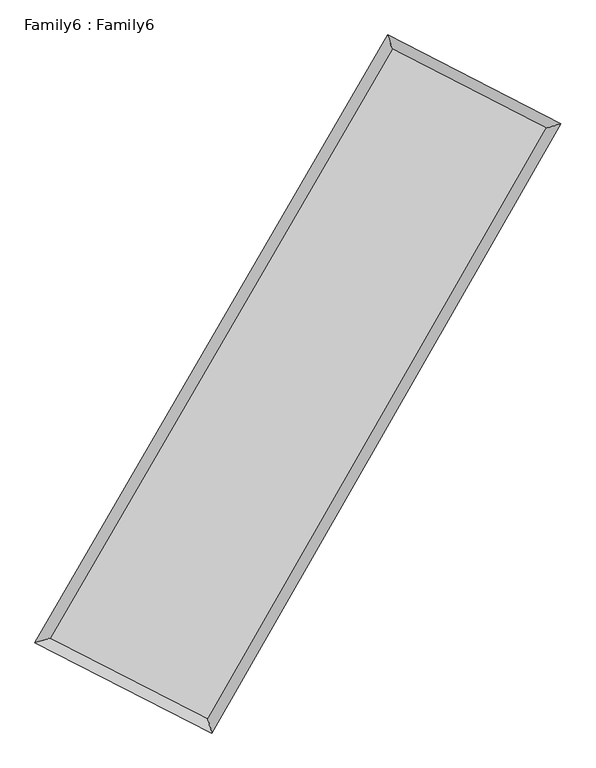
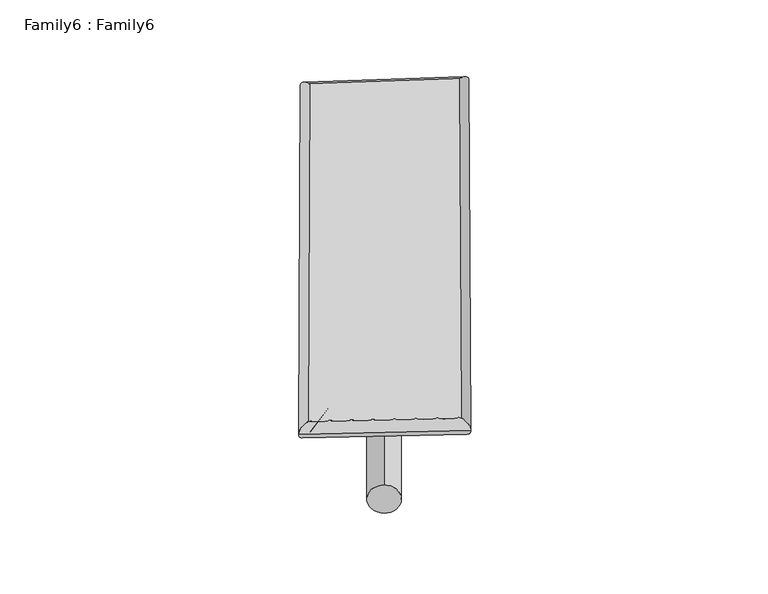
"""IFC4 building model written with IfcOpenShell, lengths in millimetres: plate geometry, Family6 : Family6."""

import ifcopenshell
import ifcopenshell.guid

model = None  # the IFC model being written
_history = None  # IfcOwnerHistory: only IFC2X3 demands one
_inside = {}  # id of a spatial element -> (the spatial element, [elements in it])
_under = {}  # id of a project, library or spatial element -> (it, [spatial elements below it])
_declared = {}  # id of a project -> (the project, [libraries it declares])
_typed = {}  # id of a type object -> (the type object, [elements of that type])
_made_of = {}  # id of a material, layer set ... -> (it, [elements and type objects made of it])


def new_model(schema):
    """Start an empty IFC model of exactly this schema.

    Asked for "IFC4X3", IfcOpenShell would pick the latest addendum, in which some entities
    have other attributes; the version numbers below select the first issue.
    IFC2X3 requires an IfcOwnerHistory on every rooted entity: one is made here for all.
    """
    global model, _history
    if schema == "IFC4X3":
        model = ifcopenshell.file(schema_version=(4, 3, 0, 0))
    else:
        model = ifcopenshell.file(schema=schema)
    _inside.clear()
    _under.clear()
    _declared.clear()
    _typed.clear()
    _made_of.clear()
    _history = None
    if model.schema == "IFC2X3":
        org = make("IfcOrganization", Name="unknown")
        user = make(
            "IfcPersonAndOrganization",
            ThePerson=make("IfcPerson", FamilyName="unknown"),
            TheOrganization=org,
        )
        app = make(
            "IfcApplication",
            ApplicationDeveloper=org,
            Version="unknown",
            ApplicationFullName="unknown",
            ApplicationIdentifier="unknown",
        )
        _history = make(
            "IfcOwnerHistory",
            OwningUser=user,
            OwningApplication=app,
            ChangeAction="ADDED",
            CreationDate=0,
        )
    return model


def make(cls, **values):
    """One entity of the class cls with the attributes given. An attribute that is None is left unset."""
    return model.create_entity(
        cls, **{name: value for name, value in values.items() if value is not None}
    )


def rooted(cls, **values):
    """An entity with a GlobalId (a new one), such as an element, a storey or a relation."""
    return make(cls, GlobalId=ifcopenshell.guid.new(), OwnerHistory=_history, **values)


def si_unit(unit_type, name, prefix=None):
    """IfcSIUnit, for example si_unit("LENGTHUNIT", "METRE", prefix="MILLI")."""
    return make("IfcSIUnit", UnitType=unit_type, Prefix=prefix, Name=name)


def assignment(units):
    """IfcUnitAssignment: the units of a project."""
    return None if units is None else make("IfcUnitAssignment", Units=units)


def point(xyz):
    """IfcCartesianPoint."""
    return None if xyz is None else make("IfcCartesianPoint", Coordinates=xyz)


def direction(xyz):
    """IfcDirection."""
    return None if xyz is None else make("IfcDirection", DirectionRatios=xyz)


def frame(location, z_axis=None, x_axis=None):
    """IfcAxis2Placement3D, a coordinate frame: its origin and axes. An axis left out is left unset."""
    return make(
        "IfcAxis2Placement3D",
        Location=point(location),
        Axis=direction(z_axis),
        RefDirection=direction(x_axis),
    )


def frame_2d(location, x_axis=None):
    """IfcAxis2Placement2D, a coordinate frame in the plane: its origin and x axis."""
    return make(
        "IfcAxis2Placement2D", Location=point(location), RefDirection=direction(x_axis)
    )


def origin():
    """The frame at (0, 0, 0) with its axes left unset."""
    return frame((0.0, 0.0, 0.0))


def origin_2d():
    """The frame at (0, 0) in the plane with its x axis left unset."""
    return frame_2d((0.0, 0.0))


def place(relative_to, where):
    """IfcLocalPlacement: puts the frame where relative to a parent placement (None: the world)."""
    return make(
        "IfcLocalPlacement", PlacementRelTo=relative_to, RelativePlacement=where
    )


def context(
    kind, dimensions, precision=None, world=None, true_north=None, identifier=None
):
    """IfcGeometricRepresentationContext, for example the 3D "Model" context."""
    return make(
        "IfcGeometricRepresentationContext",
        ContextIdentifier=identifier,
        ContextType=kind,
        CoordinateSpaceDimension=dimensions,
        Precision=precision,
        WorldCoordinateSystem=world,
        TrueNorth=true_north,
    )


def project(units=None, contexts=None):
    """IfcProject with its units and contexts."""
    return rooted(
        "IfcProject",
        Name="project",
        RepresentationContexts=contexts,
        UnitsInContext=assignment(units),
    )


def spatial(cls, under=None, at=None, **own):
    """A site, building, storey or space (cls), placed at a placement, below another one or the project."""
    s = rooted(cls, ObjectPlacement=at, **own)
    if under is not None:
        _under.setdefault(under.id(), (under, []))[1].append(s)
    return s


def circle_curve(where, radius):
    """IfcCircle in the frame where."""
    return make("IfcCircle", Position=where, Radius=radius)


def ellipse_curve(where, semi_axis1, semi_axis2):
    """IfcEllipse in the frame where."""
    return make(
        "IfcEllipse", Position=where, SemiAxis1=semi_axis1, SemiAxis2=semi_axis2
    )


def trimmed(basis, trim1, trim2, sense, master):
    """IfcTrimmedCurve: the piece of a basis curve between two trims."""
    return make(
        "IfcTrimmedCurve",
        BasisCurve=basis,
        Trim1=trim1,
        Trim2=trim2,
        SenseAgreement=sense,
        MasterRepresentation=master,
    )


def segment(curve, same_sense, transition):
    """IfcCompositeCurveSegment."""
    return make(
        "IfcCompositeCurveSegment",
        Transition=transition,
        SameSense=same_sense,
        ParentCurve=curve,
    )


def composite_curve(segments, self_intersect=None):
    """IfcCompositeCurve: segments joined end to end."""
    return make("IfcCompositeCurve", Segments=segments, SelfIntersect=self_intersect)


def outline(outer, holes=None, kind="AREA"):
    """IfcArbitraryClosedProfileDef: a profile drawn as a closed curve; with holes, ...WithVoids."""
    if holes is None:
        return make("IfcArbitraryClosedProfileDef", ProfileType=kind, OuterCurve=outer)
    return make(
        "IfcArbitraryProfileDefWithVoids",
        ProfileType=kind,
        OuterCurve=outer,
        InnerCurves=holes,
    )


def extrude(swept, where, along, depth):
    """IfcExtrudedAreaSolid: the profile swept, set in the frame where, extruded along a direction by depth."""
    return make(
        "IfcExtrudedAreaSolid",
        SweptArea=swept,
        Position=where,
        ExtrudedDirection=direction(along),
        Depth=depth,
    )


def shape(context_of_items, identifier, shape_type, items):
    """IfcShapeRepresentation: the items that make up one representation, for example the "Body"."""
    return make(
        "IfcShapeRepresentation",
        ContextOfItems=context_of_items,
        RepresentationIdentifier=identifier,
        RepresentationType=shape_type,
        Items=items,
    )


def source(mapping_origin, context_of_items, identifier, shape_type, items):
    """IfcRepresentationMap: a shape defined once, which mapped items show again and again."""
    return make(
        "IfcRepresentationMap",
        MappingOrigin=mapping_origin,
        MappedRepresentation=shape(context_of_items, identifier, shape_type, items),
    )


def transform(
    local_origin,
    x_axis=None,
    y_axis=None,
    z_axis=None,
    scale=None,
    scale2=None,
    scale3=None,
    uniform=True,
):
    """IfcCartesianTransformationOperator3D, or its non-uniform kind. x_axis, y_axis, z_axis: its Axis1, 2, 3."""
    if uniform:
        return make(
            "IfcCartesianTransformationOperator3D",
            Axis1=direction(x_axis),
            Axis2=direction(y_axis),
            LocalOrigin=point(local_origin),
            Scale=scale,
            Axis3=direction(z_axis),
        )
    return make(
        "IfcCartesianTransformationOperator3DnonUniform",
        Axis1=direction(x_axis),
        Axis2=direction(y_axis),
        LocalOrigin=point(local_origin),
        Scale=scale,
        Axis3=direction(z_axis),
        Scale2=scale2,
        Scale3=scale3,
    )


def mapped(mapping_source, mapping_target):
    """IfcMappedItem: shows the shape of a source again, moved by a transform."""
    return make(
        "IfcMappedItem", MappingSource=mapping_source, MappingTarget=mapping_target
    )


def made_of(thing, what):
    """Note that an element or type object is made of a material, layer set ...; save() writes the relation."""
    if what is not None:
        _made_of.setdefault(what.id(), (what, []))[1].append(thing)
    return thing


def element(
    cls,
    number,
    at=None,
    inside=None,
    cuts=None,
    type_object=None,
    material=None,
    context=None,
    identifier="Body",
    shape_type=None,
    held_by="IfcProductDefinitionShape",
    body=None,
    shapes=None,
    **own,
):
    """One element of the class cls, such as IfcWall. Its Tag is "e" and its number.

    at: its placement. inside: the storey or other place that contains it. cuts: it is an
    opening in that element (IfcRelVoidsElement). A single representation is given by context,
    identifier, shape_type and body (its items); several are given by shapes. held_by: the class
    of the entity that holds the representations. save() writes the other relations.
    """
    e = rooted(cls, Tag="e%d" % number, ObjectPlacement=at, **own)
    if body is not None:
        shapes = [shape(context, identifier, shape_type, body)]
    if shapes is not None:
        e.Representation = make(held_by, Representations=shapes)
    if inside is not None:
        _inside.setdefault(inside.id(), (inside, []))[1].append(e)
    if cuts is not None:
        rooted(
            "IfcRelVoidsElement", RelatingBuildingElement=cuts, RelatedOpeningElement=e
        )
    if type_object is not None:
        _typed.setdefault(type_object.id(), (type_object, []))[1].append(e)
    return made_of(e, material)


def aggregate(whole, parts):
    """IfcRelAggregates: a whole, such as a stair, and the parts it consists of."""
    return rooted("IfcRelAggregates", RelatingObject=whole, RelatedObjects=parts)


def save(model, path):
    """Write the relations noted so far, then the file.

    IfcRelAggregates (storeys below a building ...), IfcRelContainedInSpatialStructure (elements
    in a storey), IfcRelDefinesByType, IfcRelAssociatesMaterial and IfcRelDeclares: one each for
    every whole, place, type object, material and project.
    """
    for whole, parts in _under.values():
        aggregate(whole, parts)
    for where, things in _inside.values():
        rooted(
            "IfcRelContainedInSpatialStructure",
            RelatedElements=things,
            RelatingStructure=where,
        )
    for kind, things in _typed.values():
        rooted("IfcRelDefinesByType", RelatedObjects=things, RelatingType=kind)
    for what, things in _made_of.values():
        rooted("IfcRelAssociatesMaterial", RelatedObjects=things, RelatingMaterial=what)
    for by, libraries in _declared.values():
        rooted("IfcRelDeclares", RelatingContext=by, RelatedDefinitions=libraries)
    model.write(path)


def plane_surface(at):
    """IfcPlane: the flat surface through the origin of the frame at, square to its z axis."""
    return make("IfcPlane", Position=at)


def cylinder_surface(at, radius):
    """IfcCylindricalSurface: all points at the distance radius from the z axis of the frame at."""
    return make("IfcCylindricalSurface", Position=at, Radius=radius)


def spline_surface(u_degree, v_degree, points, u_multiplicities, v_multiplicities, u_knots, v_knots, weights=None):
    """IfcBSplineSurfaceWithKnots; with weights, IfcRationalBSplineSurfaceWithKnots. points: one row for each step in u."""
    own = dict(
        UDegree=u_degree,
        VDegree=v_degree,
        ControlPointsList=[[point(p) for p in row] for row in points],
        SurfaceForm="UNSPECIFIED",
        UClosed=False,
        VClosed=False,
        SelfIntersect=False,
        UMultiplicities=u_multiplicities,
        VMultiplicities=v_multiplicities,
        UKnots=u_knots,
        VKnots=v_knots,
        KnotSpec="UNSPECIFIED",
    )
    if weights is None:
        return make("IfcBSplineSurfaceWithKnots", **own)
    return make("IfcRationalBSplineSurfaceWithKnots", WeightsData=weights, **own)


def advanced_brep(points, edges, surfaces, faces):
    """IfcAdvancedBrep: a solid bounded by faces that lie on surfaces and meet in shared edges.

    An edge is (start, end): straight between two places in points (the first is 0);
    or (start, end, curve); or (start, end, curve, False) where it runs against its curve.
    A face is (place in surfaces, loops), or (place, loops, False) where it looks against
    its surface's normal. A loop lists edges by number (the first is 1), with a minus sign
    where the edge is run from its end to its start. The first loop is the outer one.
    """
    corners = [point(p) for p in points]
    vertices = [make("IfcVertexPoint", VertexGeometry=c) for c in corners]
    made = []
    for start, end, *more in edges:
        made.append(
            make(
                "IfcEdgeCurve",
                EdgeStart=vertices[start],
                EdgeEnd=vertices[end],
                EdgeGeometry=more[0] if more else make("IfcPolyline", Points=[corners[start], corners[end]]),
                SameSense=more[1] if len(more) > 1 else True,
            )
        )
    hull = []
    for where, loops, *sense in faces:
        bounds = []
        for j, loop in enumerate(loops):
            ring = [make("IfcOrientedEdge", EdgeElement=made[abs(k) - 1], Orientation=k > 0) for k in loop]
            bounds.append(
                make(
                    "IfcFaceOuterBound" if j == 0 else "IfcFaceBound",
                    Bound=make("IfcEdgeLoop", EdgeList=ring),
                    Orientation=True,
                )
            )
        hull.append(make("IfcAdvancedFace", Bounds=bounds, FaceSurface=surfaces[where], SameSense=sense[0] if sense else True))
    return make("IfcAdvancedBrep", Outer=make("IfcClosedShell", CfsFaces=hull))


def family6_family6_7f385c38(model_context):
    return source(origin(), model_context, "Body", "SolidModel", [
        extrude(outline(composite_curve([segment(trimmed(circle_curve(origin_2d(), 76.2), [point((-75.4341514, -10.7763073))], [point((75.4341514, 10.7763073))], False, "CARTESIAN"), True, "CONTINUOUS"), segment(trimmed(circle_curve(origin_2d(), 76.2), [point((75.4341514, 10.7763073))], [point((-75.4341514, -10.7763073))], False, "CARTESIAN"), True, "CONTINUOUS")], self_intersect=False)), frame((9144.0, 9144.0, 0.0), z_axis=(0.6703346038042359, 0.6907796054863414, 0.2710628259034292), x_axis=(-0.6824209638602828, 0.7173381263965946, -0.14045511917273087)), (0.0, 0.0, 1.0), 5655.2051623),
        extrude(outline(composite_curve([segment(trimmed(circle_curve(origin_2d(), 76.2), [point((-53.8815367, 53.8815367))], [point((53.8815367, -53.8815367))], False, "CARTESIAN"), True, "CONTINUOUS"), segment(trimmed(circle_curve(origin_2d(), 76.2), [point((53.8815367, -53.8815367))], [point((-53.8815367, 53.8815367))], False, "CARTESIAN"), True, "CONTINUOUS")], self_intersect=False)), frame((9144.0, 9144.0, 0.0), z_axis=(-0.6742266360964704, -0.6872070822091434, 0.27049005404937443), x_axis=(0.6397595475768209, -0.3605009253546744, 0.6787833263293414)), (0.0, 0.0, 1.0), 5667.2157541),
        extrude(outline(composite_curve([segment(trimmed(circle_curve(origin_2d(), 76.2), [point((-53.8815367, -53.8815367))], [point((53.8815367, 53.8815367))], False, "CARTESIAN"), True, "CONTINUOUS"), segment(trimmed(circle_curve(origin_2d(), 76.2), [point((53.8815367, 53.8815367))], [point((-53.8815367, -53.8815367))], False, "CARTESIAN"), True, "CONTINUOUS")], self_intersect=False)), frame((9144.0, 9144.0, 0.0), z_axis=(0.25663626539613676, 0.9269818819025808, 0.27357342324844675), x_axis=(-0.8432700902882778, 0.3530640383124086, -0.4052669980096255)), (0.0, 0.0, 1.0), 5528.4654313),
        extrude(outline(composite_curve([segment(trimmed(circle_curve(origin_2d(), 76.2), [point((-75.4341514, 10.7763073))], [point((75.4341514, -10.7763073))], False, "CARTESIAN"), True, "CONTINUOUS"), segment(trimmed(circle_curve(origin_2d(), 76.2), [point((75.4341514, -10.7763073))], [point((-75.4341514, 10.7763073))], False, "CARTESIAN"), True, "CONTINUOUS")], self_intersect=False)), frame((9144.0, 9144.0, 0.0), z_axis=(-0.25126268503578486, -0.9285027137508032, 0.27340404837164034), x_axis=(0.8853130194477297, -0.10627818345329086, 0.4526873151726395)), (0.0, 0.0, 1.0), 5533.1581952),
        advanced_brep(
        [(5110.4853308, 5186.9859475, 1531.4192339), (5110.4718282, 5186.9680163, 1534.8244444), (5535.5390413, 5311.9124473, 1534.4317574), (10621.8859242, 14067.122101, 1514.5473508), (10503.7235191, 14470.4524781, 1510.335076), (5535.552544, 5311.9303785, 1531.0265469), (12723.3380533, 12987.8258699, 1532.6861356), (13146.4213705, 13113.174912, 1533.1456491), (7693.7236234, 4208.2988053, 1513.1468108), (7813.7240068, 3804.5963949, 1512.428891)],
        [
            (0, 1, ellipse_curve(frame((5323.0121861, 5249.4491974, 1532.9254956), z_axis=(-0.28200428840991304, 0.9594050794213255, 0.003933814812481377), x_axis=(-0.9593855057967803, -0.2820249165416974, 0.006434105742401606)), 221.5426762, 152.4)),
            (1, 2, ellipse_curve(frame((5323.0121861, 5249.4491974, 1532.9254956), z_axis=(-0.28200428840991304, 0.9594050794213255, 0.003933814812481377), x_axis=(-0.9593855057967803, -0.2820249165416974, 0.006434105742401606)), 221.5426762, 152.4)),
            (2, 3),
            (3, 4, ellipse_curve(frame((10562.8047217, 14268.7872896, 1512.4412134), z_axis=(-0.9596453852445767, -0.28118537162621987, -0.003939716006599781), x_axis=(0.2811541910041082, -0.9596370675049404, 0.007001396385302696)), 210.1528869, 152.4)),
            (4, 0),
            (2, 5, ellipse_curve(frame((5323.0121861, 5249.4491974, 1532.9254956), z_axis=(-0.28200428840991304, 0.9594050794213255, 0.003933814812481377), x_axis=(-0.9593855057967803, -0.2820249165416974, 0.006434105742401606)), 221.5426762, 152.4)),
            (5, 0, ellipse_curve(frame((5323.0121861, 5249.4491974, 1532.9254956), z_axis=(-0.28200428840991304, 0.9594050794213255, 0.003933814812481377), x_axis=(-0.9593855057967803, -0.2820249165416974, 0.006434105742401606)), 221.5426762, 152.4)),
            (4, 3, ellipse_curve(frame((10562.8047217, 14268.7872896, 1512.4412134), z_axis=(-0.9596453852445767, -0.28118537162621987, -0.003939716006599781), x_axis=(0.2811541910041082, -0.9596370675049404, 0.007001396385302696)), 210.1528869, 152.4)),
            (3, 6),
            (6, 7, ellipse_curve(frame((12934.8797119, 13050.500391, 1532.9158924), z_axis=(-0.2840630145712911, 0.9587965890274717, -0.0041598824449772505), x_axis=(-0.9587758694852972, -0.28408570287942514, -0.006644208923217974)), 220.634758, 152.4)),
            (7, 4),
            (7, 6, ellipse_curve(frame((12934.8797119, 13050.500391, 1532.9158924), z_axis=(-0.2840630145712911, 0.9587965890274717, -0.0041598824449772505), x_axis=(-0.9587758694852972, -0.28408570287942514, -0.006644208923217974)), 220.634758, 152.4)),
            (6, 8),
            (8, 9, ellipse_curve(frame((7753.7238151, 4006.4476001, 1512.7878509), z_axis=(0.9585402324689822, 0.2849323984215508, -0.003761790538059624), x_axis=(-0.28490362104789263, 0.9585324490593721, 0.006743205027374602)), 210.5827263, 152.4)),
            (9, 7),
            (9, 8, ellipse_curve(frame((7753.7238151, 4006.4476001, 1512.7878509), z_axis=(0.9585402324689822, 0.2849323984215508, -0.003761790538059624), x_axis=(-0.28490362104789263, 0.9585324490593721, 0.006743205027374602)), 210.5827263, 152.4)),
            (8, 5),
            (1, 9),
        ],
        [
            cylinder_surface(frame((5323.0121861, 5249.4491974, 1532.9254956), z_axis=(-0.5023322398063483, -0.8646724607228982, 0.0019638020637931944), x_axis=(-0.864624126501549, 0.5022770078890881, -0.011955217163172606)), 152.4),
            cylinder_surface(frame((10562.8047217, 14268.7872896, 1512.4412134), z_axis=(-0.8895111828978897, 0.4568488874778115, -0.007677858417756681), x_axis=(0.45689721138677397, 0.8894955307097888, -0.006529860205284597)), 152.4),
            cylinder_surface(frame((12934.8797119, 13050.500391, 1532.9158924), z_axis=(0.4970870352838958, 0.8676985364525991, 0.001931111256362594), x_axis=(0.8677005331295851, -0.4970870352838958, -0.0005139642991057253)), 152.4),
            cylinder_surface(frame((7753.7238151, 4006.4476001, 1512.7878509), z_axis=(0.8903157588316674, -0.4552839164779486, -0.007375972647248759), x_axis=(-0.4552605979569403, -0.8903459464179879, 0.004677995825847079)), 152.4),
        ],
        [
            (0, [[1, 2, 3, 4, 5]]),
            (0, [[6, 7, -5, 8, -3]]),
            (1, [[-4, 9, 10, 11]]),
            (1, [[-8, -11, 12, -9]]),
            (2, [[-10, 13, 14, 15]]),
            (2, [[-12, -15, 16, -13]]),
            (3, [[-14, 17, -6, -2, 18]]),
            (3, [[-16, -18, -1, -7, -17]]),
        ],
    ),
        extrude(outline(composite_curve([segment(trimmed(circle_curve(origin_2d(), 304.8), [point((0.0, -304.8))], [point((0.0, 304.8))], False, "CARTESIAN"), True, "CONTINUOUS"), segment(trimmed(circle_curve(origin_2d(), 304.8), [point((0.0, 304.8))], [point((0.0, -304.8))], False, "CARTESIAN"), True, "CONTINUOUS")], self_intersect=False)), frame((6516.7900213, 4610.3959878, -0.003653), z_axis=(0.5013924067582075, 0.8652200034931731, 6.97162144216721e-07), x_axis=(-0.8652200034934336, 0.5013924067582075, 1.8740513437283303e-07)), (0.0, 0.0, 1.0), 10479.6560271),
        advanced_brep(
        [(5323.0121861, 5249.4491974, 1532.9254956), (7753.7238151, 4006.4476001, 1512.7878509), (7753.7284317, 4006.4480205, 1665.1878508), (5323.0168026, 5249.4496178, 1685.3254956), (12934.8797119, 13050.500391, 1532.9158924), (12934.8843284, 13050.5008113, 1685.3158923), (10562.8047217, 14268.7872896, 1512.4412134), (10562.8093382, 14268.78771, 1664.8412133)],
        [
            (0, 1),
            (1, 2),
            (2, 3),
            (3, 0),
            (1, 4),
            (4, 5),
            (5, 2),
            (4, 6),
            (6, 7),
            (7, 5),
            (6, 0),
            (3, 7),
        ],
        [
            plane_surface(frame((6538.3680006, 4627.9483987, 1522.8566732), z_axis=(-0.4552961950733263, -0.8903400330703769, 1.6247824332090918e-05), x_axis=(0.8903157588316674, -0.4552839164779483, -0.007375972647248756))),
            plane_surface(frame((10344.3017635, 8528.4739955, 1522.8518716), z_axis=(0.8677001780096633, -0.4970879202528705, -2.4913349566336052e-05), x_axis=(0.4970870352838956, 0.8676985364525994, 0.001931111256362597))),
            plane_surface(frame((11748.8422168, 13659.6438403, 1522.6785529), z_axis=(0.45686246480219145, 0.8895373449099273, -1.6293055901325793e-05), x_axis=(-0.8895111828978898, 0.45684888747781127, -0.007677858417756682))),
            plane_surface(frame((7942.9084539, 9759.1182435, 1522.6833545), z_axis=(-0.8646741033024085, 0.5023332504053241, 2.4807214488895132e-05), x_axis=(-0.5023322398063479, -0.8646724607228983, 0.0019638020637931975))),
            spline_surface(1, 1, [[(7753.7284317, 4006.4480205, 1665.1878508), (5323.0168026, 5249.4496178, 1685.3254956)], [(12934.8843284, 13050.5008113, 1685.3158923), (10562.8093382, 14268.78771, 1664.8412133)]], [2, 2], [2, 2], [0.0, 1.0], [0.0, 1.0]),
            spline_surface(1, 1, [[(10562.8047217, 14268.7872896, 1512.4412134), (5323.0121861, 5249.4491974, 1532.9254956)], [(12934.8797119, 13050.500391, 1532.9158924), (7753.7238151, 4006.4476001, 1512.7878509)]], [2, 2], [2, 2], [0.0, 1.0], [0.0, 1.0]),
        ],
        [
            (0, [[1, 2, 3, 4]]),
            (1, [[5, 6, 7, -2]]),
            (2, [[8, 9, 10, -6]]),
            (3, [[11, -4, 12, -9]]),
            (4, [[-3, -7, -10, -12]]),
            (5, [[-11, -8, -5, -1]]),
        ],
    ),
    ])


if __name__ == "__main__":
    model = new_model("IFC4")
    model_context = context("Model", 3, world=origin())
    ifc_project = project(units=[si_unit("LENGTHUNIT", "METRE", prefix="MILLI")], contexts=[model_context])
    site = spatial("IfcSite", under=ifc_project)
    building = spatial("IfcBuilding", under=site)
    placement = place(None, origin())
    family6_family6_shape = family6_family6_7f385c38(model_context)
    element("IfcPlate", 1, ObjectType="Family6 : Family6", at=placement, inside=building, context=model_context, shape_type="MappedRepresentation", body=[
        mapped(family6_family6_shape, transform((0.0, 0.0, 0.0), x_axis=(1.0, 0.0, 0.0), y_axis=(0.0, 1.0, 0.0), z_axis=(0.0, 0.0, 1.0))),
    ])
    save(model, "model.ifc")
